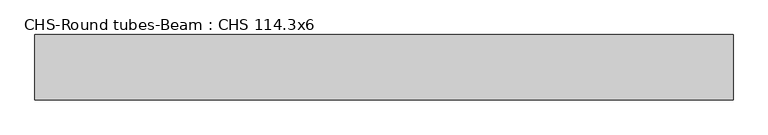
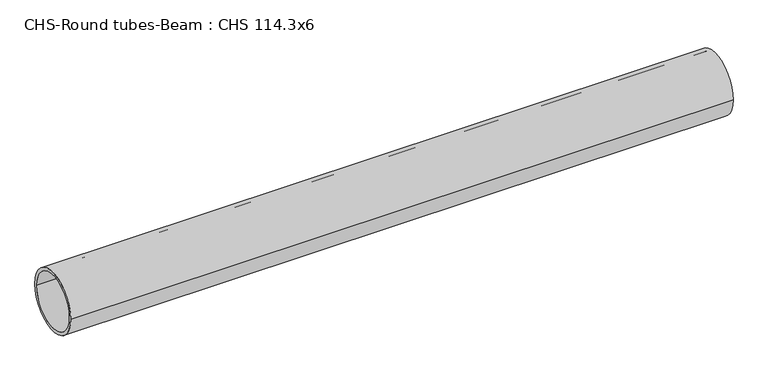
"""IFC4 building model written with IfcOpenShell, lengths in millimetres: beam geometry, CHS-Round tubes-Beam : CHS 114.3x6."""

from ifc_helpers import new_model, si_unit, point, frame, origin, origin_2d, place, context, project, spatial, circle_curve, trimmed, segment, composite_curve, outline, extrude, source, transform, mapped, element, save


def chs_round_tubes_beam_chs_114_3x6_b5a9654a(model_context):
    return source(origin(), model_context, "Body", "SweptSolid", [
        extrude(outline(composite_curve([segment(trimmed(circle_curve(origin_2d(), 57.15), [point((57.15, 0.0))], [point((-57.15, 0.0))], False, "CARTESIAN"), True, "CONTINUOUS"), segment(trimmed(circle_curve(origin_2d(), 57.15), [point((-57.15, 0.0))], [point((57.15, 0.0))], False, "CARTESIAN"), True, "CONTINUOUS")], self_intersect=False), holes=[composite_curve([segment(trimmed(circle_curve(origin_2d(), 51.15), [point((51.15, 0.0))], [point((-51.15, 0.0))], True, "CARTESIAN"), True, "CONTINUOUS"), segment(trimmed(circle_curve(origin_2d(), 51.15), [point((-51.15, 0.0))], [point((51.15, 0.0))], True, "CARTESIAN"), True, "CONTINUOUS")], self_intersect=False)]), frame((-490.7652658, 0.0, 0.0), z_axis=(1.0, 0.0, 0.0), x_axis=(0.0, 1.0, 0.0)), (0.0, 0.0, 1.0), 1218.6134478),
    ])


if __name__ == "__main__":
    model = new_model("IFC4")
    model_context = context("Model", 3, world=origin())
    ifc_project = project(units=[si_unit("LENGTHUNIT", "METRE", prefix="MILLI")], contexts=[model_context])
    site = spatial("IfcSite", under=ifc_project)
    building = spatial("IfcBuilding", under=site)
    placement = place(None, origin())
    chs_round_tubes_beam_chs_114_3x6_shape = chs_round_tubes_beam_chs_114_3x6_b5a9654a(model_context)
    element("IfcBeam", 1, ObjectType="CHS-Round tubes-Beam : CHS 114.3x6", at=placement, inside=building, context=model_context, shape_type="MappedRepresentation", body=[
        mapped(chs_round_tubes_beam_chs_114_3x6_shape, transform((0.0, 0.0, 0.0), x_axis=(1.0, 0.0, 0.0), y_axis=(0.0, 1.0, 0.0), z_axis=(0.0, 0.0, 1.0))),
    ])
    save(model, "model.ifc")
